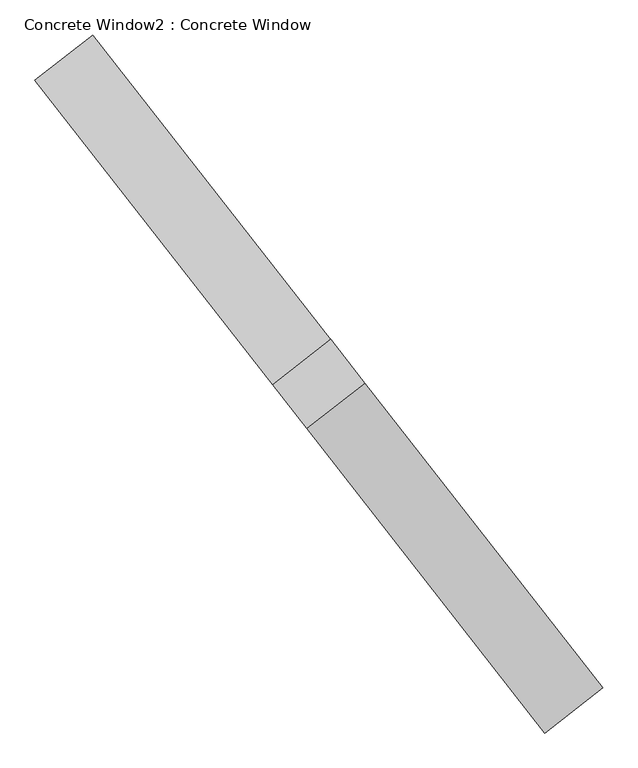
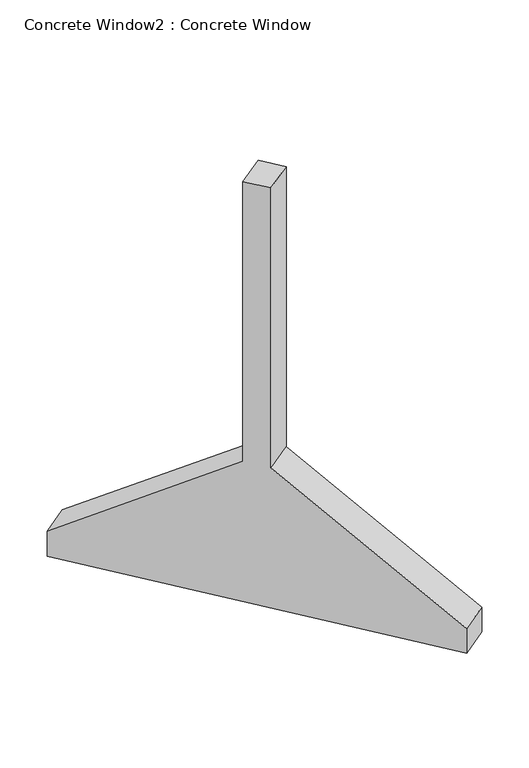
"""IFC4 building model written with IfcOpenShell, lengths in millimetres: proxy geometry, Concrete Window2 : Concrete Window."""

from ifc_helpers import new_model, si_unit, frame, origin, place, context, project, spatial, polyline, outline, extrude, source, transform, mapped, element, save


def concrete_window2_concrete_window_2d33df9b(model_context):
    return source(origin(), model_context, "Body", "SweptSolid", [
        extrude(outline(polyline([(2286.0, 0.0), (2286.0, -152.4), (1219.2, -863.6), (1219.2, -2590.8), (1066.8, -2590.8), (1066.8, -863.6), (0.0, -152.4), (0.0, 0.0), (2286.0, 0.0)])), frame((148222.6973654, 7561.7162749, 0.0), z_axis=(0.7880107536067223, 0.6156614753256578, 0.0), x_axis=(0.6156614753256578, -0.7880107536067223, 0.0)), (0.0, 0.0, 1.0), 203.2),
    ])


if __name__ == "__main__":
    model = new_model("IFC4")
    model_context = context("Model", 3, world=origin())
    ifc_project = project(units=[si_unit("LENGTHUNIT", "METRE", prefix="MILLI")], contexts=[model_context])
    site = spatial("IfcSite", under=ifc_project)
    building = spatial("IfcBuilding", under=site)
    placement = place(None, origin())
    concrete_window2_concrete_window_shape = concrete_window2_concrete_window_2d33df9b(model_context)
    element("IfcBuildingElementProxy", 1, Name="Concrete Window2 : Concrete Window", ObjectType="Concrete Window2 : Concrete Window", at=placement, inside=building, context=model_context, shape_type="MappedRepresentation", body=[
        mapped(concrete_window2_concrete_window_shape, transform((0.0, 0.0, 0.0), x_axis=(1.0, 0.0, 0.0), y_axis=(0.0, 1.0, 0.0), z_axis=(0.0, 0.0, 1.0))),
    ])
    save(model, "model.ifc")
